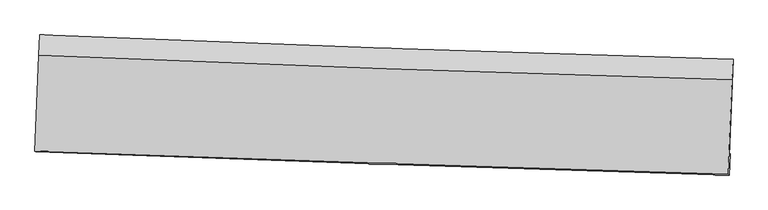
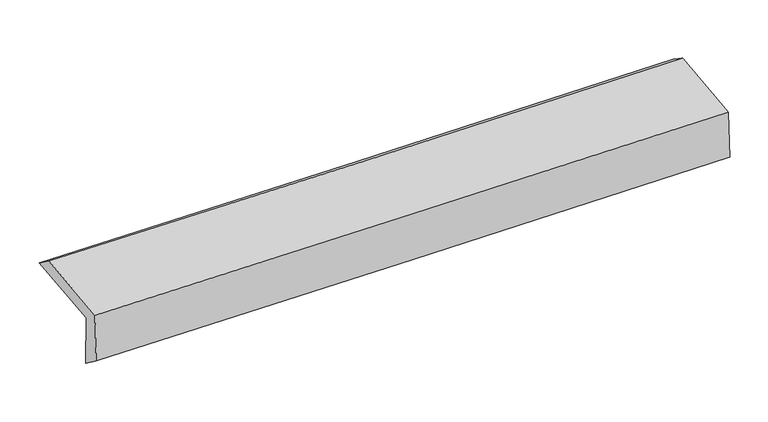
"""IFC4 building model written with IfcOpenShell, lengths in millimetres: proxy geometry."""

import ifcopenshell
import ifcopenshell.guid

model = None  # the IFC model being written
_history = None  # IfcOwnerHistory: only IFC2X3 demands one
_inside = {}  # id of a spatial element -> (the spatial element, [elements in it])
_under = {}  # id of a project, library or spatial element -> (it, [spatial elements below it])
_declared = {}  # id of a project -> (the project, [libraries it declares])
_typed = {}  # id of a type object -> (the type object, [elements of that type])
_made_of = {}  # id of a material, layer set ... -> (it, [elements and type objects made of it])


def new_model(schema):
    """Start an empty IFC model of exactly this schema.

    Asked for "IFC4X3", IfcOpenShell would pick the latest addendum, in which some entities
    have other attributes; the version numbers below select the first issue.
    IFC2X3 requires an IfcOwnerHistory on every rooted entity: one is made here for all.
    """
    global model, _history
    if schema == "IFC4X3":
        model = ifcopenshell.file(schema_version=(4, 3, 0, 0))
    else:
        model = ifcopenshell.file(schema=schema)
    _inside.clear()
    _under.clear()
    _declared.clear()
    _typed.clear()
    _made_of.clear()
    _history = None
    if model.schema == "IFC2X3":
        org = make("IfcOrganization", Name="unknown")
        user = make(
            "IfcPersonAndOrganization",
            ThePerson=make("IfcPerson", FamilyName="unknown"),
            TheOrganization=org,
        )
        app = make(
            "IfcApplication",
            ApplicationDeveloper=org,
            Version="unknown",
            ApplicationFullName="unknown",
            ApplicationIdentifier="unknown",
        )
        _history = make(
            "IfcOwnerHistory",
            OwningUser=user,
            OwningApplication=app,
            ChangeAction="ADDED",
            CreationDate=0,
        )
    return model


def make(cls, **values):
    """One entity of the class cls with the attributes given. An attribute that is None is left unset."""
    return model.create_entity(
        cls, **{name: value for name, value in values.items() if value is not None}
    )


def rooted(cls, **values):
    """An entity with a GlobalId (a new one), such as an element, a storey or a relation."""
    return make(cls, GlobalId=ifcopenshell.guid.new(), OwnerHistory=_history, **values)


def si_unit(unit_type, name, prefix=None):
    """IfcSIUnit, for example si_unit("LENGTHUNIT", "METRE", prefix="MILLI")."""
    return make("IfcSIUnit", UnitType=unit_type, Prefix=prefix, Name=name)


def assignment(units):
    """IfcUnitAssignment: the units of a project."""
    return None if units is None else make("IfcUnitAssignment", Units=units)


def point(xyz):
    """IfcCartesianPoint."""
    return None if xyz is None else make("IfcCartesianPoint", Coordinates=xyz)


def direction(xyz):
    """IfcDirection."""
    return None if xyz is None else make("IfcDirection", DirectionRatios=xyz)


def frame(location, z_axis=None, x_axis=None):
    """IfcAxis2Placement3D, a coordinate frame: its origin and axes. An axis left out is left unset."""
    return make(
        "IfcAxis2Placement3D",
        Location=point(location),
        Axis=direction(z_axis),
        RefDirection=direction(x_axis),
    )


def origin():
    """The frame at (0, 0, 0) with its axes left unset."""
    return frame((0.0, 0.0, 0.0))


def place(relative_to, where):
    """IfcLocalPlacement: puts the frame where relative to a parent placement (None: the world)."""
    return make(
        "IfcLocalPlacement", PlacementRelTo=relative_to, RelativePlacement=where
    )


def context(
    kind, dimensions, precision=None, world=None, true_north=None, identifier=None
):
    """IfcGeometricRepresentationContext, for example the 3D "Model" context."""
    return make(
        "IfcGeometricRepresentationContext",
        ContextIdentifier=identifier,
        ContextType=kind,
        CoordinateSpaceDimension=dimensions,
        Precision=precision,
        WorldCoordinateSystem=world,
        TrueNorth=true_north,
    )


def project(units=None, contexts=None):
    """IfcProject with its units and contexts."""
    return rooted(
        "IfcProject",
        Name="project",
        RepresentationContexts=contexts,
        UnitsInContext=assignment(units),
    )


def spatial(cls, under=None, at=None, **own):
    """A site, building, storey or space (cls), placed at a placement, below another one or the project."""
    s = rooted(cls, ObjectPlacement=at, **own)
    if under is not None:
        _under.setdefault(under.id(), (under, []))[1].append(s)
    return s


def shape(context_of_items, identifier, shape_type, items):
    """IfcShapeRepresentation: the items that make up one representation, for example the "Body"."""
    return make(
        "IfcShapeRepresentation",
        ContextOfItems=context_of_items,
        RepresentationIdentifier=identifier,
        RepresentationType=shape_type,
        Items=items,
    )


def source(mapping_origin, context_of_items, identifier, shape_type, items):
    """IfcRepresentationMap: a shape defined once, which mapped items show again and again."""
    return make(
        "IfcRepresentationMap",
        MappingOrigin=mapping_origin,
        MappedRepresentation=shape(context_of_items, identifier, shape_type, items),
    )


def transform(
    local_origin,
    x_axis=None,
    y_axis=None,
    z_axis=None,
    scale=None,
    scale2=None,
    scale3=None,
    uniform=True,
):
    """IfcCartesianTransformationOperator3D, or its non-uniform kind. x_axis, y_axis, z_axis: its Axis1, 2, 3."""
    if uniform:
        return make(
            "IfcCartesianTransformationOperator3D",
            Axis1=direction(x_axis),
            Axis2=direction(y_axis),
            LocalOrigin=point(local_origin),
            Scale=scale,
            Axis3=direction(z_axis),
        )
    return make(
        "IfcCartesianTransformationOperator3DnonUniform",
        Axis1=direction(x_axis),
        Axis2=direction(y_axis),
        LocalOrigin=point(local_origin),
        Scale=scale,
        Axis3=direction(z_axis),
        Scale2=scale2,
        Scale3=scale3,
    )


def mapped(mapping_source, mapping_target):
    """IfcMappedItem: shows the shape of a source again, moved by a transform."""
    return make(
        "IfcMappedItem", MappingSource=mapping_source, MappingTarget=mapping_target
    )


def made_of(thing, what):
    """Note that an element or type object is made of a material, layer set ...; save() writes the relation."""
    if what is not None:
        _made_of.setdefault(what.id(), (what, []))[1].append(thing)
    return thing


def element(
    cls,
    number,
    at=None,
    inside=None,
    cuts=None,
    type_object=None,
    material=None,
    context=None,
    identifier="Body",
    shape_type=None,
    held_by="IfcProductDefinitionShape",
    body=None,
    shapes=None,
    **own,
):
    """One element of the class cls, such as IfcWall. Its Tag is "e" and its number.

    at: its placement. inside: the storey or other place that contains it. cuts: it is an
    opening in that element (IfcRelVoidsElement). A single representation is given by context,
    identifier, shape_type and body (its items); several are given by shapes. held_by: the class
    of the entity that holds the representations. save() writes the other relations.
    """
    e = rooted(cls, Tag="e%d" % number, ObjectPlacement=at, **own)
    if body is not None:
        shapes = [shape(context, identifier, shape_type, body)]
    if shapes is not None:
        e.Representation = make(held_by, Representations=shapes)
    if inside is not None:
        _inside.setdefault(inside.id(), (inside, []))[1].append(e)
    if cuts is not None:
        rooted(
            "IfcRelVoidsElement", RelatingBuildingElement=cuts, RelatedOpeningElement=e
        )
    if type_object is not None:
        _typed.setdefault(type_object.id(), (type_object, []))[1].append(e)
    return made_of(e, material)


def aggregate(whole, parts):
    """IfcRelAggregates: a whole, such as a stair, and the parts it consists of."""
    return rooted("IfcRelAggregates", RelatingObject=whole, RelatedObjects=parts)


def save(model, path):
    """Write the relations noted so far, then the file.

    IfcRelAggregates (storeys below a building ...), IfcRelContainedInSpatialStructure (elements
    in a storey), IfcRelDefinesByType, IfcRelAssociatesMaterial and IfcRelDeclares: one each for
    every whole, place, type object, material and project.
    """
    for whole, parts in _under.values():
        aggregate(whole, parts)
    for where, things in _inside.values():
        rooted(
            "IfcRelContainedInSpatialStructure",
            RelatedElements=things,
            RelatingStructure=where,
        )
    for kind, things in _typed.values():
        rooted("IfcRelDefinesByType", RelatedObjects=things, RelatingType=kind)
    for what, things in _made_of.values():
        rooted("IfcRelAssociatesMaterial", RelatedObjects=things, RelatingMaterial=what)
    for by, libraries in _declared.values():
        rooted("IfcRelDeclares", RelatingContext=by, RelatedDefinitions=libraries)
    model.write(path)


def plane_surface(at):
    """IfcPlane: the flat surface through the origin of the frame at, square to its z axis."""
    return make("IfcPlane", Position=at)


def spline_curve(degree, points, multiplicities, knots, weights=None):
    """IfcBSplineCurveWithKnots; with weights, IfcRationalBSplineCurveWithKnots."""
    own = dict(
        Degree=degree,
        ControlPointsList=[point(p) for p in points],
        CurveForm="UNSPECIFIED",
        ClosedCurve=False,
        SelfIntersect=False,
        KnotMultiplicities=multiplicities,
        Knots=knots,
        KnotSpec="UNSPECIFIED",
    )
    if weights is None:
        return make("IfcBSplineCurveWithKnots", **own)
    return make("IfcRationalBSplineCurveWithKnots", WeightsData=weights, **own)


def spline_surface(u_degree, v_degree, points, u_multiplicities, v_multiplicities, u_knots, v_knots, weights=None):
    """IfcBSplineSurfaceWithKnots; with weights, IfcRationalBSplineSurfaceWithKnots. points: one row for each step in u."""
    own = dict(
        UDegree=u_degree,
        VDegree=v_degree,
        ControlPointsList=[[point(p) for p in row] for row in points],
        SurfaceForm="UNSPECIFIED",
        UClosed=False,
        VClosed=False,
        SelfIntersect=False,
        UMultiplicities=u_multiplicities,
        VMultiplicities=v_multiplicities,
        UKnots=u_knots,
        VKnots=v_knots,
        KnotSpec="UNSPECIFIED",
    )
    if weights is None:
        return make("IfcBSplineSurfaceWithKnots", **own)
    return make("IfcRationalBSplineSurfaceWithKnots", WeightsData=weights, **own)


def advanced_brep(points, edges, surfaces, faces):
    """IfcAdvancedBrep: a solid bounded by faces that lie on surfaces and meet in shared edges.

    An edge is (start, end): straight between two places in points (the first is 0);
    or (start, end, curve); or (start, end, curve, False) where it runs against its curve.
    A face is (place in surfaces, loops), or (place, loops, False) where it looks against
    its surface's normal. A loop lists edges by number (the first is 1), with a minus sign
    where the edge is run from its end to its start. The first loop is the outer one.
    """
    corners = [point(p) for p in points]
    vertices = [make("IfcVertexPoint", VertexGeometry=c) for c in corners]
    made = []
    for start, end, *more in edges:
        made.append(
            make(
                "IfcEdgeCurve",
                EdgeStart=vertices[start],
                EdgeEnd=vertices[end],
                EdgeGeometry=more[0] if more else make("IfcPolyline", Points=[corners[start], corners[end]]),
                SameSense=more[1] if len(more) > 1 else True,
            )
        )
    hull = []
    for where, loops, *sense in faces:
        bounds = []
        for j, loop in enumerate(loops):
            ring = [make("IfcOrientedEdge", EdgeElement=made[abs(k) - 1], Orientation=k > 0) for k in loop]
            bounds.append(
                make(
                    "IfcFaceOuterBound" if j == 0 else "IfcFaceBound",
                    Bound=make("IfcEdgeLoop", EdgeList=ring),
                    Orientation=True,
                )
            )
        hull.append(make("IfcAdvancedFace", Bounds=bounds, FaceSurface=surfaces[where], SameSense=sense[0] if sense else True))
    return make("IfcAdvancedBrep", Outer=make("IfcClosedShell", CfsFaces=hull))


def generic_models_77e3abb6(model_context):
    return source(origin(), model_context, "Body", "AdvancedBrep", [
        advanced_brep(
        [(-2411.8344431, -1730.8562339, 1991.4182005), (-2385.984455, -1052.7539093, 2020.6623374), (2408.8886633, -1219.5980758, 2105.3398565), (2382.1032635, -1892.7312639, 2076.2903632), (-2405.0053704, -1711.8547941, 1606.4123879), (2389.1100142, -1873.3824738, 1681.4637162), (-2412.4760645, -1859.442846, 1716.6206834), (2381.2625908, -2021.2567545, 1799.6262608), (-2418.2428854, -1855.6996813, 2090.2703276), (2375.5714693, -2017.545549, 2170.1976455), (-2392.996973, -1191.7151565, 2123.0699422), (2401.534562, -1363.4522644, 2202.528028)],
        [
            (0, 1),
            (1, 2, spline_curve(3, [(-2385.984455, -1052.7539093, 2020.6623374), (-1586.997684138, -1085.549641199, 2035.071568062), (-787.902788881, -1115.852008251, 2049.333140012), (810.388281551, -1171.466013307, 2077.558937441), (1609.584425793, -1196.778368049, 2091.523204752), (2408.8886633, -1219.5980758, 2105.3398565)], [4, 2, 4], [0.0, 7.87127980211615, 15.741427287389607])),
            (2, 3),
            (3, 0, spline_curve(3, [(2382.1032635, -1892.7312639, 2076.2903632), (1583.06449525, -1869.100400248, 2062.512793817), (784.079035312, -1843.796473286, 2048.551850882), (-813.900215811, -1789.838611202, 2020.261182506), (-1612.893991047, -1761.184194953, 2005.931404734), (-2411.8344431, -1730.8562339, 1991.4182005)], [4, 2, 4], [0.0, 7.870147485273457, 15.741427287389607])),
            (4, 0),
            (3, 5),
            (5, 4, spline_curve(3, [(2389.1100142, -1873.3824738, 1681.4637162), (1590.097553719, -1849.693598963, 1666.049642134), (791.110443899, -1824.389606013, 1652.088673137), (-806.928024659, -1770.547510802, 1627.071145495), (-1605.979376701, -1742.008943838, 1616.015005166), (-2405.0053704, -1711.8547941, 1606.4123879)], [4, 2, 4], [0.0, 7.869235083539577, 15.739602352650119])),
            (6, 4),
            (5, 7),
            (7, 6, spline_curve(3, [(2381.2625908, -2021.2567545, 1799.6262608), (1582.277141519, -1997.619165734, 1785.539025664), (783.334927907, -1972.316968999, 1771.578765266), (-814.577969434, -1918.379478354, 1743.910202871), (-1613.548640949, -1889.743705902, 1730.201937656), (-2412.4760645, -1859.442846, 1716.6206834)], [4, 2, 4], [0.0, 7.869046147437409, 15.739224453262617])),
            (8, 6),
            (7, 9),
            (9, 8, spline_curve(3, [(2375.5714693, -2017.545549, 2170.1976455), (1576.588061191, -1993.912862666, 2155.597311145), (777.640560679, -1968.61045426, 2141.636967108), (-820.297567821, -1914.662312127, 2114.994343428), (-1619.288185573, -1886.016098156, 2102.312248347), (-2418.2428854, -1855.6996813, 2090.2703276)], [4, 2, 4], [0.0, 7.868872777275619, 15.738877687995418])),
            (10, 8),
            (9, 11),
            (11, 10, spline_curve(3, [(2401.534562, -1363.4522644, 2202.528028), (1602.261146822, -1341.45138097, 2187.84304307), (803.108876033, -1316.140781003, 2173.879467808), (-795.068337172, -1258.896031051, 2147.393231777), (-1594.093244727, -1226.960928035, 2134.870778186), (-2392.996973, -1191.7151565, 2123.0699422)], [4, 2, 4], [0.0, 7.869783010322263, 15.740698285048413])),
            (1, 10),
            (11, 2),
        ],
        [
            spline_surface(3, 3, [[(-2411.8344431, -1730.8562339, 1991.4182005), (-1612.893991018, -1761.184195004, 2005.931404768), (-813.900215691, -1789.838611308, 2020.261182628), (784.079035191, -1843.79647318, 2048.55185076), (1583.06449538, -1869.100400215, 2062.512793797), (2382.1032635, -1892.7312639, 2076.2903632)], [(-2403.217780387, -1504.822125701, 2001.166246151), (-1604.261888733, -1535.972677042, 2015.644792508), (-805.23440678, -1565.176410307, 2029.951835113), (792.848783983, -1619.686319835, 2058.2208796), (1591.904472171, -1644.993056184, 2072.182930817), (2391.031730089, -1668.353534523, 2085.973527626)], [(-2394.601117713, -1278.788017499, 2010.914291749), (-1595.629786487, -1310.761159078, 2025.358180196), (-796.568597838, -1340.514209359, 2039.642487644), (801.618532806, -1395.576166544, 2067.889908486), (1600.744448996, -1420.885712185, 2081.85306786), (2399.960196711, -1443.975805177, 2095.656692074)], [(-2385.984455, -1052.7539093, 2020.6623374), (-1586.997684202, -1085.549641117, 2035.071567936), (-787.902788927, -1115.852008358, 2049.333140128), (810.388281597, -1171.4660132, 2077.558937326), (1609.584425787, -1196.778368154, 2091.52320488), (2408.8886633, -1219.5980758, 2105.3398565)]], [4, 4], [4, 2, 4], [0.0, 2.212244478006973], [0.0, 7.87127980211615, 15.741427287389607]),
            spline_surface(3, 3, [[(-2405.0053704, -1711.8547941, 1606.4123879), (-1605.979376601, -1742.008943929, 1616.015005167), (-806.928024782, -1770.547510843, 1627.071145518), (791.110444023, -1824.389605972, 1652.088673114), (1590.097553784, -1849.693598933, 1666.049642192), (2389.1100142, -1873.3824738, 1681.4637162)], [(-2407.281727986, -1718.188607376, 1734.747658773), (-1608.284248094, -1748.400694297, 1745.987138373), (-809.252088409, -1776.977877679, 1758.134491223), (788.766641088, -1830.858561722, 1784.243065665), (1587.753200996, -1856.162532688, 1798.204026066), (2386.774430646, -1879.832070494, 1813.072598539)], [(-2409.558085514, -1724.522420624, 1863.082929627), (-1610.589119526, -1754.792444636, 1875.959271561), (-811.576152064, -1783.408244472, 1889.197836923), (786.422838125, -1837.327517429, 1916.397458209), (1585.408848168, -1862.63146646, 1930.358409923), (2384.438847054, -1886.281667206, 1944.681480861)], [(-2411.8344431, -1730.8562339, 1991.4182005), (-1612.893991018, -1761.184195004, 2005.931404768), (-813.900215691, -1789.838611308, 2020.261182628), (784.079035191, -1843.79647318, 2048.55185076), (1583.06449538, -1869.100400215, 2062.512793797), (2382.1032635, -1892.7312639, 2076.2903632)]], [4, 4], [4, 2, 4], [0.0, 1.2971200902164741], [0.0, 7.870367269110542, 15.739602352650119]),
            spline_surface(3, 3, [[(-2412.4760645, -1859.442846, 1716.6206834), (-1613.548641075, -1889.743705852, 1730.201937602), (-814.577969531, -1918.379478435, 1743.91020289), (783.334928005, -1972.316968918, 1771.578765247), (1582.277141573, -1997.619165819, 1785.539025725), (2381.2625908, -2021.2567545, 1799.6262608)], [(-2409.985833127, -1810.246828683, 1679.884584885), (-1611.025552911, -1840.498785194, 1692.139626775), (-812.027987947, -1869.102155921, 1704.963850454), (785.926766678, -1923.007847953, 1731.748734556), (1584.883945632, -1948.310643511, 1745.709231185), (2383.878398588, -1971.965327587, 1760.238745904)], [(-2407.495601773, -1761.050811417, 1643.148486415), (-1608.502464765, -1791.253864587, 1654.077315993), (-809.478006366, -1819.824833357, 1666.017497955), (788.518605349, -1873.698726937, 1691.918703804), (1587.490749726, -1899.002121241, 1705.879436732), (2386.494206412, -1922.673900713, 1720.851231096)], [(-2405.0053704, -1711.8547941, 1606.4123879), (-1605.979376601, -1742.008943929, 1616.015005167), (-806.928024782, -1770.547510843, 1627.071145518), (791.110444023, -1824.389605972, 1652.088673114), (1590.097553784, -1849.693598933, 1666.049642192), (2389.1100142, -1873.3824738, 1681.4637162)]], [4, 4], [4, 2, 4], [0.0, 0.6215499103597738], [0.0, 7.870178305825208, 15.739224453262617]),
            spline_surface(3, 3, [[(-2418.2428854, -1855.6996813, 2090.2703276), (-1619.288185637, -1886.016098096, 2102.312248238), (-820.297567865, -1914.662312167, 2114.994343541), (777.640560724, -1968.61045422, 2141.636966995), (1576.58806114, -1993.912862749, 2155.597311025), (2375.5714693, -2017.545549, 2170.1976455)], [(-2416.320611746, -1856.947402868, 1965.720446185), (-1617.375004095, -1887.258634016, 1978.275478011), (-818.391035119, -1915.901367569, 1991.299629966), (779.538683119, -1969.845959098, 2018.284233054), (1578.484421277, -1995.148297133, 2032.244549276), (2377.468509792, -2018.782617527, 2046.673850618)], [(-2414.398338154, -1858.195124432, 1841.170564815), (-1615.461822616, -1888.501169932, 1854.238707829), (-816.484502277, -1917.140423033, 1867.604916465), (781.43680561, -1971.08146404, 1894.931499187), (1580.380781437, -1996.383731436, 1908.891787473), (2379.365550308, -2020.019685973, 1923.150055682)], [(-2412.4760645, -1859.442846, 1716.6206834), (-1613.548641075, -1889.743705852, 1730.201937602), (-814.577969531, -1918.379478435, 1743.91020289), (783.334928005, -1972.316968918, 1771.578765247), (1582.277141573, -1997.619165819, 1785.539025725), (2381.2625908, -2021.2567545, 1799.6262608)]], [4, 4], [4, 2, 4], [0.0, 1.2159900752204875], [0.0, 7.870004910719799, 15.738877687995418]),
            spline_surface(3, 3, [[(-2392.996973, -1191.7151565, 2123.0699422), (-1594.093244739, -1226.960928086, 2134.8707783), (-795.068337175, -1258.896030923, 2147.393231682), (803.108876035, -1316.140781131, 2173.879467902), (1602.261146775, -1341.451380901, 2187.84304308), (2401.534562, -1363.4522644, 2202.528028)], [(-2401.412277139, -1413.043331437, 2112.136737365), (-1602.491558377, -1446.64598476, 2124.017934977), (-803.478080714, -1477.484791358, 2136.593602323), (794.619437622, -1533.63067218, 2163.131967621), (1593.703451566, -1558.93854149, 2177.094465724), (2392.880197769, -1581.48335924, 2191.751233828)], [(-2409.827581261, -1634.371506363, 2101.203532435), (-1610.889871998, -1666.331041422, 2113.16509156), (-811.887824326, -1696.073551733, 2125.7939729), (786.129999137, -1751.12056317, 2152.384467276), (1585.14575635, -1776.42570216, 2166.345888382), (2384.225833531, -1799.51445416, 2180.974439672)], [(-2418.2428854, -1855.6996813, 2090.2703276), (-1619.288185637, -1886.016098096, 2102.312248238), (-820.297567865, -1914.662312167, 2114.994343541), (777.640560724, -1968.61045422, 2141.636966995), (1576.58806114, -1993.912862749, 2155.597311025), (2375.5714693, -2017.545549, 2170.1976455)]], [4, 4], [4, 2, 4], [0.0, 2.150284157026103], [0.0, 7.87091527472615, 15.740698285048413]),
            spline_surface(3, 3, [[(-2385.984455, -1052.7539093, 2020.6623374), (-1586.997684202, -1085.549641117, 2035.071567936), (-787.902788927, -1115.852008358, 2049.333140128), (810.388281597, -1171.4660132, 2077.558937326), (1609.584425787, -1196.778368154, 2091.52320488), (2408.8886633, -1219.5980758, 2105.3398565)], [(-2388.321961014, -1099.074325036, 2054.798205641), (-1589.362871061, -1132.686736775, 2068.337971365), (-790.291305001, -1163.533349201, 2082.019837309), (807.961813084, -1219.690935831, 2109.665780847), (1607.143332799, -1245.002705766, 2123.629817631), (2406.437296216, -1267.54947203, 2137.735913684)], [(-2390.659466986, -1145.394740764, 2088.934073959), (-1591.728057879, -1179.823832428, 2101.604374871), (-792.6798211, -1211.21469008, 2114.706534501), (805.535344548, -1267.9158585, 2141.772624381), (1604.702239763, -1293.227043289, 2155.736430329), (2403.985929084, -1315.50086817, 2170.131970816)], [(-2392.996973, -1191.7151565, 2123.0699422), (-1594.093244739, -1226.960928086, 2134.8707783), (-795.068337175, -1258.896030923, 2147.393231682), (803.108876035, -1316.140781131, 2173.879467902), (1602.261146775, -1341.451380901, 2187.84304308), (2401.534562, -1363.4522644, 2202.528028)]], [4, 4], [4, 2, 4], [0.0, 0.5700891171067399], [0.0, 7.872005726569001, 15.74287903186801]),
            plane_surface(frame((2389.7450938, -1731.3277302, 2005.907645), z_axis=(0.9990580890386247, -0.040434266373256464, 0.01574816907923747), x_axis=(0.01535511213886038, -0.01001313679484787, -0.9998319646934333))),
            plane_surface(frame((-2404.4233652, -1567.0537702, 1924.7423132), z_axis=(-0.9991231255801463, 0.03876941485428533, -0.015808617991960826), x_axis=(-0.0380580797967006, -0.9983475520507654, -0.04305517247012659))),
        ],
        [
            (0, [[1, 2, 3, 4]]),
            (1, [[5, -4, 6, 7]]),
            (2, [[8, -7, 9, 10]]),
            (3, [[11, -10, 12, 13]]),
            (4, [[14, -13, 15, 16]]),
            (5, [[17, -16, 18, -2]]),
            (6, [[-12, -9, -6, -3, -18, -15]]),
            (7, [[-1, -5, -8, -11, -14, -17]]),
        ],
    ),
    ])


if __name__ == "__main__":
    model = new_model("IFC4")
    model_context = context("Model", 3, world=origin())
    ifc_project = project(units=[si_unit("LENGTHUNIT", "METRE", prefix="MILLI")], contexts=[model_context])
    site = spatial("IfcSite", under=ifc_project)
    building = spatial("IfcBuilding", under=site)
    placement = place(None, origin())
    generic_models_shape = generic_models_77e3abb6(model_context)
    element("IfcBuildingElementProxy", 1, Name="Generic Models", at=placement, inside=building, context=model_context, shape_type="MappedRepresentation", body=[
        mapped(generic_models_shape, transform((0.0, 0.0, 0.0), x_axis=(1.0, 0.0, 0.0), y_axis=(0.0, 1.0, 0.0), z_axis=(0.0, 0.0, 1.0))),
    ])
    save(model, "model.ifc")
